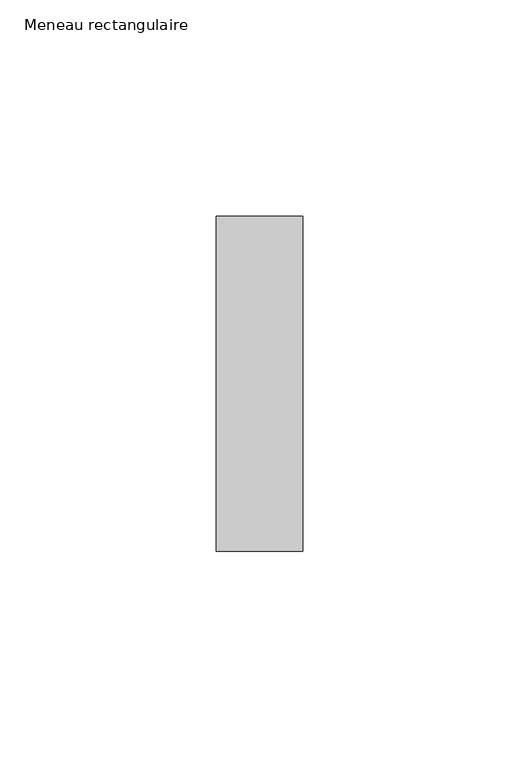
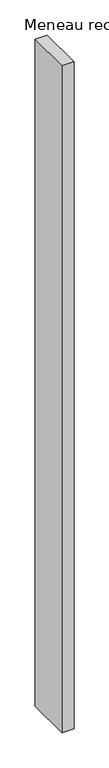
"""IFC4 building model written with IfcOpenShell, lengths in millimetres: member geometry, Meneau rectangulaire."""

from ifc_helpers import new_model, si_unit, frame, origin, place, context, project, spatial, polyline, outline, extrude, source, transform, mapped, element, save


def meneau_rectangulaire_ded55bfc(model_context):
    return source(origin(), model_context, "Body", "SweptSolid", [
        extrude(outline(polyline([(0.0, 38.75), (0.0, -38.75), (-20.0, -38.75), (-20.0, 38.75), (0.0, 38.75)])), frame((0.0, 0.0, -1162.7857142), z_axis=(0.0, 0.0, 1.0), x_axis=(1.0, 0.0, 0.0)), (0.0, 0.0, 1.0), 1162.7857142),
    ])


if __name__ == "__main__":
    model = new_model("IFC4")
    model_context = context("Model", 3, world=origin())
    ifc_project = project(units=[si_unit("LENGTHUNIT", "METRE", prefix="MILLI")], contexts=[model_context])
    site = spatial("IfcSite", under=ifc_project)
    building = spatial("IfcBuilding", under=site)
    placement = place(None, origin())
    meneau_rectangulaire_shape = meneau_rectangulaire_ded55bfc(model_context)
    element("IfcMember", 1, ObjectType="Meneau rectangulaire", at=placement, inside=building, context=model_context, shape_type="MappedRepresentation", body=[
        mapped(meneau_rectangulaire_shape, transform((0.0, 0.0, 0.0), x_axis=(1.0, 0.0, 0.0), y_axis=(0.0, 1.0, 0.0), z_axis=(0.0, 0.0, 1.0))),
    ])
    save(model, "model.ifc")
